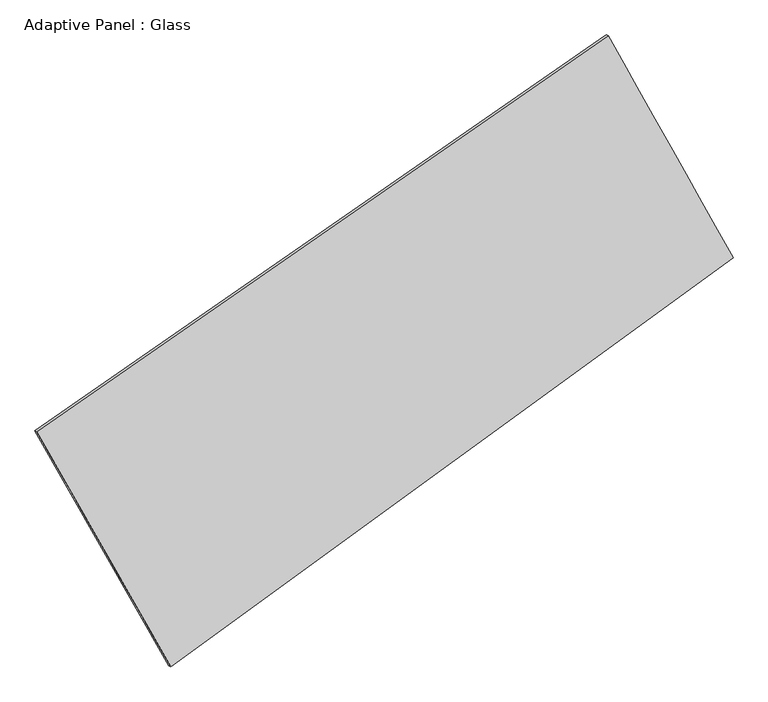
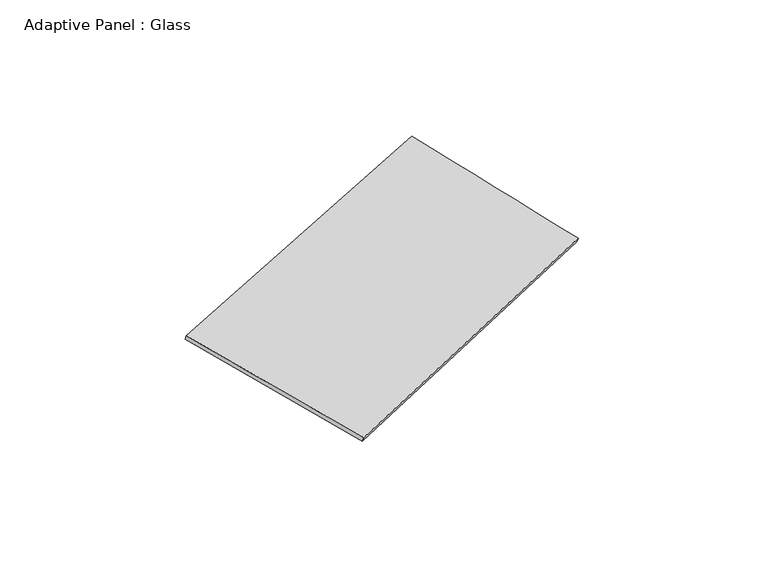
"""IFC4 building model written with IfcOpenShell, lengths in millimetres: plate geometry, Adaptive Panel : Glass."""

from ifc_helpers import new_model, si_unit, frame, origin, place, context, project, spatial, source, transform, mapped, element, save
from ifc_brep_helpers import plane_surface, spline_surface, advanced_brep


def adaptive_panel_glass_df6a91bc(model_context):
    return source(origin(), model_context, "Body", "AdvancedBrep", [
        advanced_brep(
        [(1194.5345757, 2508.4510992, 672.7328535), (-3578.6358752, -799.161976, 1663.1642221), (-3563.9695194, -805.5420695, 1710.5371301), (1209.2009316, 2502.0710057, 720.1057616), (-2458.6293206, -2762.9607722, 1092.7148535), (-2443.9629647, -2769.3408656, 1140.0877615), (2239.4400419, 653.4230762, 56.5105911), (2254.1063977, 647.0429827, 103.8834991)],
        [
            (0, 1),
            (1, 2),
            (2, 3),
            (3, 0),
            (1, 4),
            (4, 5),
            (5, 2),
            (4, 6),
            (6, 7),
            (7, 5),
            (6, 0),
            (3, 7),
        ],
        [
            plane_surface(frame((-1192.0506497, 854.6445616, 1167.9485378), z_axis=(-0.5105226791008334, 0.8170041898439545, 0.2680872020465195), x_axis=(-0.8102416819708083, -0.5614645462414918, 0.16812489438197847))),
            plane_surface(frame((-3018.6325979, -1781.0613741, 1377.9395378), z_axis=(-0.8293350759725033, -0.5269596912986153, 0.18578701652201218), x_axis=(0.4803607824527438, -0.8422557192704637, -0.24466062625110233))),
            plane_surface(frame((-109.5946393, -1054.768848, 574.6127223), z_axis=(0.5261704642744114, -0.8058953942199532, -0.27143554686208027), x_axis=(0.796199992188485, 0.5789877891287094, -0.17560954552331548))),
            plane_surface(frame((1716.9873088, 1580.9370877, 364.6217223), z_axis=(0.828574805639834, 0.5283004421719268, -0.1853710717988598), x_axis=(-0.4714302927485808, 0.8369335143277563, 0.2780211712693456))),
            spline_surface(1, 1, [[(-3563.9695194, -805.5420695, 1710.5371301), (1209.2009316, 2502.0710057, 720.1057616)], [(-2443.9629647, -2769.3408656, 1140.0877615), (2254.1063977, 647.0429827, 103.8834991)]], [2, 2], [2, 2], [0.0, 1.0], [0.0, 1.0]),
            spline_surface(1, 1, [[(2239.4400419, 653.4230762, 56.5105911), (1194.5345757, 2508.4510992, 672.7328535)], [(-2458.6293206, -2762.9607722, 1092.7148535), (-3578.6358752, -799.161976, 1663.1642221)]], [2, 2], [2, 2], [0.0, 1.0], [0.0, 1.0]),
        ],
        [
            (0, [[1, 2, 3, 4]]),
            (1, [[5, 6, 7, -2]]),
            (2, [[8, 9, 10, -6]]),
            (3, [[11, -4, 12, -9]]),
            (4, [[-3, -7, -10, -12]]),
            (5, [[-11, -8, -5, -1]]),
        ],
    ),
    ])


if __name__ == "__main__":
    model = new_model("IFC4")
    model_context = context("Model", 3, world=origin())
    ifc_project = project(units=[si_unit("LENGTHUNIT", "METRE", prefix="MILLI")], contexts=[model_context])
    site = spatial("IfcSite", under=ifc_project)
    building = spatial("IfcBuilding", under=site)
    placement = place(None, origin())
    adaptive_panel_glass_shape = adaptive_panel_glass_df6a91bc(model_context)
    element("IfcPlate", 1, ObjectType="Adaptive Panel : Glass", at=placement, inside=building, context=model_context, shape_type="MappedRepresentation", body=[
        mapped(adaptive_panel_glass_shape, transform((0.0, 0.0, 0.0), x_axis=(1.0, 0.0, 0.0), y_axis=(0.0, 1.0, 0.0), z_axis=(0.0, 0.0, 1.0))),
    ])
    save(model, "model.ifc")
